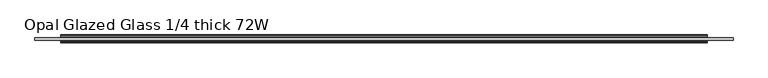
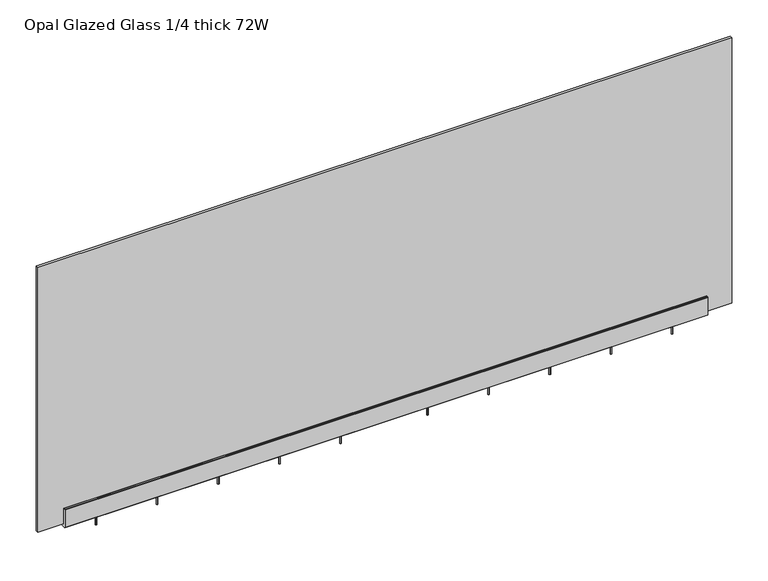
"""IFC4 building model written with IfcOpenShell, lengths in millimetres: furniture geometry, Opal Glazed Glass 1/4 thick 72W."""

from ifc_helpers import new_model, si_unit, frame, origin, place, context, project, spatial, polyline, outline, extrude, source, transform, mapped, element, save


def opal_glazed_glass_1_4_thick_72w_5f069038(model_context):
    return source(origin(), model_context, "Body", "SweptSolid", [
        extrude(outline(polyline([(1007.0858515, 1.8037565), (1009.1686501, 1.8037565), (1010.2100494, 0.0), (1009.1686501, -1.8037565), (1007.0858515, -1.8037565), (1006.0444522, 0.0), (1007.0858515, 1.8037565)])), frame((0.0, 0.0, 430.8602), z_axis=(0.0, 0.0, 1.0), x_axis=(1.0, 0.0, 0.0)), (0.0, 0.0, 1.0), 25.4),
        extrude(outline(polyline([(791.1858757, 1.8037565), (793.2686743, 1.8037565), (794.3100736, 0.0), (793.2686743, -1.8037565), (791.1858757, -1.8037565), (790.1444764, 0.0), (791.1858757, 1.8037565)])), frame((0.0, 0.0, 430.8602), z_axis=(0.0, 0.0, 1.0), x_axis=(1.0, 0.0, 0.0)), (0.0, 0.0, 1.0), 25.4),
        extrude(outline(polyline([(1159.4858515, 1.8037565), (1161.5686501, 1.8037565), (1162.6100494, 0.0), (1161.5686501, -1.8037565), (1159.4858515, -1.8037565), (1158.4444522, 0.0), (1159.4858515, 1.8037565)])), frame((0.0, 0.0, 430.8602), z_axis=(0.0, 0.0, 1.0), x_axis=(1.0, 0.0, 0.0)), (0.0, 0.0, 1.0), 25.4),
        extrude(outline(polyline([(638.7858757, 1.8037565), (640.8686743, 1.8037565), (641.9100736, 0.0), (640.8686743, -1.8037565), (638.7858757, -1.8037565), (637.7444764, 0.0), (638.7858757, 1.8037565)])), frame((0.0, 0.0, 430.8602), z_axis=(0.0, 0.0, 1.0), x_axis=(1.0, 0.0, 0.0)), (0.0, 0.0, 1.0), 25.4),
        extrude(outline(polyline([(1763.7772974, -3.175), (36.5772974, -3.175), (36.5772974, 3.175), (1763.7772974, 3.175), (1763.7772974, -3.175)])), frame((0.0, 0.0, 462.6102), z_axis=(0.0, 0.0, 1.0), x_axis=(1.0, 0.0, 0.0)), (0.0, 0.0, 1.0), 698.246),
        extrude(outline(polyline([(-9.5340258, 456.6321613), (-9.9059995, 457.530217), (-9.9059995, 503.5418343), (-9.5340258, 504.43989), (-8.6360003, 504.8118513), (-5.7150002, 504.8118513), (-4.8169747, 504.43989), (-4.445, 503.5418343), (-4.445, 462.6102121), (4.445, 462.6102121), (4.445, 503.5418343), (4.8169747, 504.43989), (5.7150002, 504.8118513), (8.6360003, 504.8118513), (9.5340258, 504.43989), (9.9059995, 503.5418343), (9.9059995, 457.530217), (9.5340258, 456.6321613), (8.6360003, 456.2602), (-8.6360003, 456.2602), (-9.5340258, 456.6321613)])), frame((100.0772671, 0.0, 0.0), z_axis=(1.0, 0.0, 0.0), x_axis=(0.0, 1.0, 0.0)), (0.0, 0.0, 1.0), 1600.1999818),
        extrude(outline(polyline([(1616.6858515, 1.8037565), (1618.7686501, 1.8037565), (1619.8100494, 0.0), (1618.7686501, -1.8037565), (1616.6858515, -1.8037565), (1615.6444522, 0.0), (1616.6858515, 1.8037565)])), frame((0.0, 0.0, 430.8602), z_axis=(0.0, 0.0, 1.0), x_axis=(1.0, 0.0, 0.0)), (0.0, 0.0, 1.0), 25.4),
        extrude(outline(polyline([(1464.2858515, 1.8037565), (1466.3686501, 1.8037565), (1467.4100494, 0.0), (1466.3686501, -1.8037565), (1464.2858515, -1.8037565), (1463.2444522, 0.0), (1464.2858515, 1.8037565)])), frame((0.0, 0.0, 430.8602), z_axis=(0.0, 0.0, 1.0), x_axis=(1.0, 0.0, 0.0)), (0.0, 0.0, 1.0), 25.4),
        extrude(outline(polyline([(1311.8858515, 1.8037565), (1313.9686501, 1.8037565), (1315.0100494, 0.0), (1313.9686501, -1.8037565), (1311.8858515, -1.8037565), (1310.8444522, 0.0), (1311.8858515, 1.8037565)])), frame((0.0, 0.0, 430.8602), z_axis=(0.0, 0.0, 1.0), x_axis=(1.0, 0.0, 0.0)), (0.0, 0.0, 1.0), 25.4),
        extrude(outline(polyline([(486.3858757, 1.8037565), (488.4686743, 1.8037565), (489.5100736, 0.0), (488.4686743, -1.8037565), (486.3858757, -1.8037565), (485.3444764, 0.0), (486.3858757, 1.8037565)])), frame((0.0, 0.0, 430.8602), z_axis=(0.0, 0.0, 1.0), x_axis=(1.0, 0.0, 0.0)), (0.0, 0.0, 1.0), 25.4),
        extrude(outline(polyline([(333.9858757, 1.8037565), (336.0686743, 1.8037565), (337.1100736, 0.0), (336.0686743, -1.8037565), (333.9858757, -1.8037565), (332.9444764, 0.0), (333.9858757, 1.8037565)])), frame((0.0, 0.0, 430.8602), z_axis=(0.0, 0.0, 1.0), x_axis=(1.0, 0.0, 0.0)), (0.0, 0.0, 1.0), 25.4),
        extrude(outline(polyline([(181.5858757, 1.8037565), (183.6686743, 1.8037565), (184.7100736, 0.0), (183.6686743, -1.8037565), (181.5858757, -1.8037565), (180.5444764, 0.0), (181.5858757, 1.8037565)])), frame((0.0, 0.0, 430.8602), z_axis=(0.0, 0.0, 1.0), x_axis=(1.0, 0.0, 0.0)), (0.0, 0.0, 1.0), 25.4),
    ])


if __name__ == "__main__":
    model = new_model("IFC4")
    model_context = context("Model", 3, world=origin())
    ifc_project = project(units=[si_unit("LENGTHUNIT", "METRE", prefix="MILLI")], contexts=[model_context])
    site = spatial("IfcSite", under=ifc_project)
    building = spatial("IfcBuilding", under=site)
    placement = place(None, origin())
    opal_glazed_glass_1_4_thick_72w_shape = opal_glazed_glass_1_4_thick_72w_5f069038(model_context)
    element("IfcFurniture", 1, ObjectType="Opal Glazed Glass 1/4 thick 72W", at=placement, inside=building, context=model_context, shape_type="MappedRepresentation", body=[
        mapped(opal_glazed_glass_1_4_thick_72w_shape, transform((0.0, 0.0, 0.0), x_axis=(1.0, 0.0, 0.0), y_axis=(0.0, 1.0, 0.0), z_axis=(0.0, 0.0, 1.0))),
    ])
    save(model, "model.ifc")
